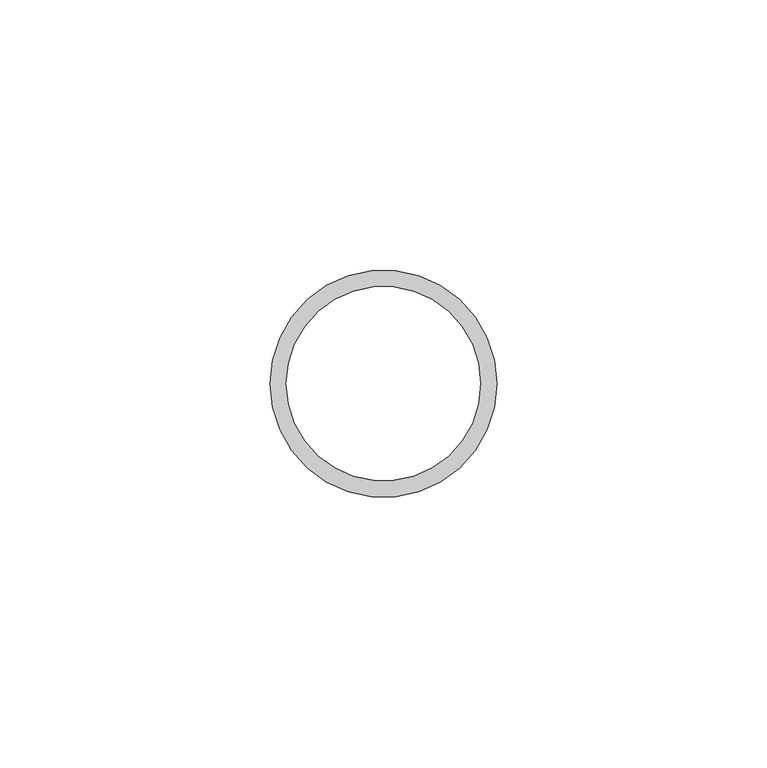
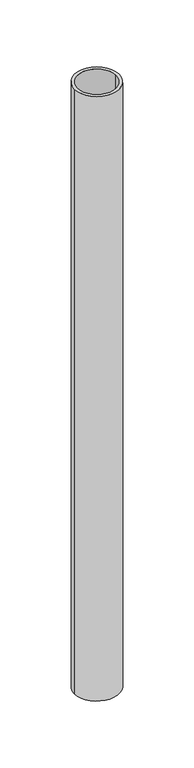
"""IFC4 building model written with IfcOpenShell, lengths in millimetres: beam geometry."""

from ifc_helpers import new_model, si_unit, point, frame, origin, origin_2d, place, context, project, spatial, circle_curve, trimmed, segment, composite_curve, outline, extrude, source, transform, mapped, element, save


def beam_934d16a5(model_context):
    return source(origin(), model_context, "Body", "SweptSolid", [
        extrude(outline(composite_curve([segment(trimmed(circle_curve(origin_2d(), 21.0), [point((21.0, 0.0))], [point((-21.0, 0.0))], False, "CARTESIAN"), True, "CONTINUOUS"), segment(trimmed(circle_curve(origin_2d(), 21.0), [point((-21.0, 0.0))], [point((21.0, 0.0))], False, "CARTESIAN"), True, "CONTINUOUS")], self_intersect=False), holes=[composite_curve([segment(trimmed(circle_curve(origin_2d(), 18.0), [point((18.0, 0.0))], [point((-18.0, 0.0))], True, "CARTESIAN"), True, "CONTINUOUS"), segment(trimmed(circle_curve(origin_2d(), 18.0), [point((-18.0, 0.0))], [point((18.0, 0.0))], True, "CARTESIAN"), True, "CONTINUOUS")], self_intersect=False)]), frame((0.0, 0.0, -600.0), z_axis=(0.0, 0.0, 1.0), x_axis=(1.0, 0.0, 0.0)), (0.0, 0.0, 1.0), 600.0),
    ])


if __name__ == "__main__":
    model = new_model("IFC4")
    model_context = context("Model", 3, world=origin())
    ifc_project = project(units=[si_unit("LENGTHUNIT", "METRE", prefix="MILLI")], contexts=[model_context])
    site = spatial("IfcSite", under=ifc_project)
    building = spatial("IfcBuilding", under=site)
    placement = place(None, origin())
    beam_shape = beam_934d16a5(model_context)
    element("IfcBeam", 1, at=placement, inside=building, context=model_context, shape_type="MappedRepresentation", body=[
        mapped(beam_shape, transform((0.0, 0.0, 0.0), x_axis=(1.0, 0.0, 0.0), y_axis=(0.0, 1.0, 0.0), z_axis=(0.0, 0.0, 1.0))),
    ])
    save(model, "model.ifc")
